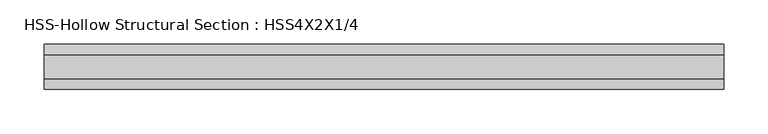
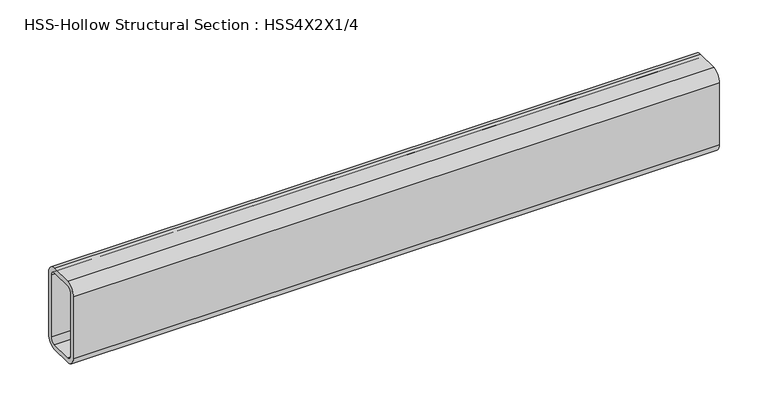
"""IFC4 building model written with IfcOpenShell, lengths in millimetres: beam geometry, HSS-Hollow Structural Section : HSS4X2X1/4."""

from ifc_helpers import new_model, si_unit, point, frame, frame_2d, origin, place, context, project, spatial, polyline, circle_curve, trimmed, segment, composite_curve, outline, extrude, source, transform, mapped, element, save


def hss_hollow_structural_section_hss4x2x1_4_5846346c(model_context):
    return source(origin(), model_context, "Body", "SweptSolid", [
        extrude(outline(composite_curve([segment(polyline([(25.4, 38.9636), (25.4, -38.9636)]), True, "CONTINUOUS"), segment(trimmed(circle_curve(frame_2d((13.5636, -38.9636)), 11.8364), [point((25.4, -38.9636))], [point((13.5636, -50.8))], False, "CARTESIAN"), True, "CONTINUOUS"), segment(polyline([(13.5636, -50.8), (-13.5636, -50.8)]), True, "CONTINUOUS"), segment(trimmed(circle_curve(frame_2d((-13.5636, -38.9636)), 11.8364), [point((-13.5636, -50.8))], [point((-25.4, -38.9636))], False, "CARTESIAN"), True, "CONTINUOUS"), segment(polyline([(-25.4, -38.9636), (-25.4, 38.9636)]), True, "CONTINUOUS"), segment(trimmed(circle_curve(frame_2d((-13.5636, 38.9636)), 11.8364), [point((-25.4, 38.9636))], [point((-13.5636, 50.8))], False, "CARTESIAN"), True, "CONTINUOUS"), segment(polyline([(-13.5636, 50.8), (13.5636, 50.8)]), True, "CONTINUOUS"), segment(trimmed(circle_curve(frame_2d((13.5636, 38.9636)), 11.8364), [point((13.5636, 50.8))], [point((25.4, 38.9636))], False, "CARTESIAN"), True, "CONTINUOUS")], self_intersect=False), holes=[composite_curve([segment(trimmed(circle_curve(frame_2d((-13.5636, 38.9636)), 5.9182), [point((-13.5636, 44.8818))], [point((-19.4818, 38.9636))], True, "CARTESIAN"), True, "CONTINUOUS"), segment(polyline([(-19.4818, 38.9636), (-19.4818, -38.9636)]), True, "CONTINUOUS"), segment(trimmed(circle_curve(frame_2d((-13.5636, -38.9636)), 5.9182), [point((-19.4818, -38.9636))], [point((-13.5636, -44.8818))], True, "CARTESIAN"), True, "CONTINUOUS"), segment(polyline([(-13.5636, -44.8818), (13.5636, -44.8818)]), True, "CONTINUOUS"), segment(trimmed(circle_curve(frame_2d((13.5636, -38.9636)), 5.9182), [point((13.5636, -44.8818))], [point((19.4818, -38.9636))], True, "CARTESIAN"), True, "CONTINUOUS"), segment(polyline([(19.4818, -38.9636), (19.4818, 38.9636)]), True, "CONTINUOUS"), segment(trimmed(circle_curve(frame_2d((13.5636, 38.9636)), 5.9182), [point((19.4818, 38.9636))], [point((13.5636, 44.8818))], True, "CARTESIAN"), True, "CONTINUOUS"), segment(polyline([(13.5636, 44.8818), (-13.5636, 44.8818)]), True, "CONTINUOUS")], self_intersect=False)]), frame((-372.4681201, 0.0, 0.0), z_axis=(1.0, 0.0, 0.0), x_axis=(0.0, 1.0, 0.0)), (0.0, 0.0, 1.0), 766.6751296),
    ])


if __name__ == "__main__":
    model = new_model("IFC4")
    model_context = context("Model", 3, world=origin())
    ifc_project = project(units=[si_unit("LENGTHUNIT", "METRE", prefix="MILLI")], contexts=[model_context])
    site = spatial("IfcSite", under=ifc_project)
    building = spatial("IfcBuilding", under=site)
    placement = place(None, origin())
    hss_hollow_structural_section_hss4x2x1_4_shape = hss_hollow_structural_section_hss4x2x1_4_5846346c(model_context)
    element("IfcBeam", 1, ObjectType="HSS-Hollow Structural Section : HSS4X2X1/4", at=placement, inside=building, context=model_context, shape_type="MappedRepresentation", body=[
        mapped(hss_hollow_structural_section_hss4x2x1_4_shape, transform((0.0, 0.0, 0.0), x_axis=(1.0, 0.0, 0.0), y_axis=(0.0, 1.0, 0.0), z_axis=(0.0, 0.0, 1.0))),
    ])
    save(model, "model.ifc")
